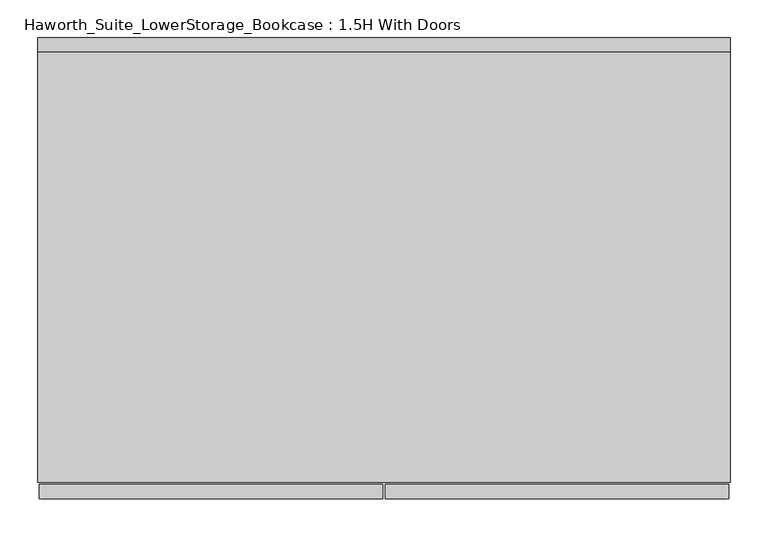
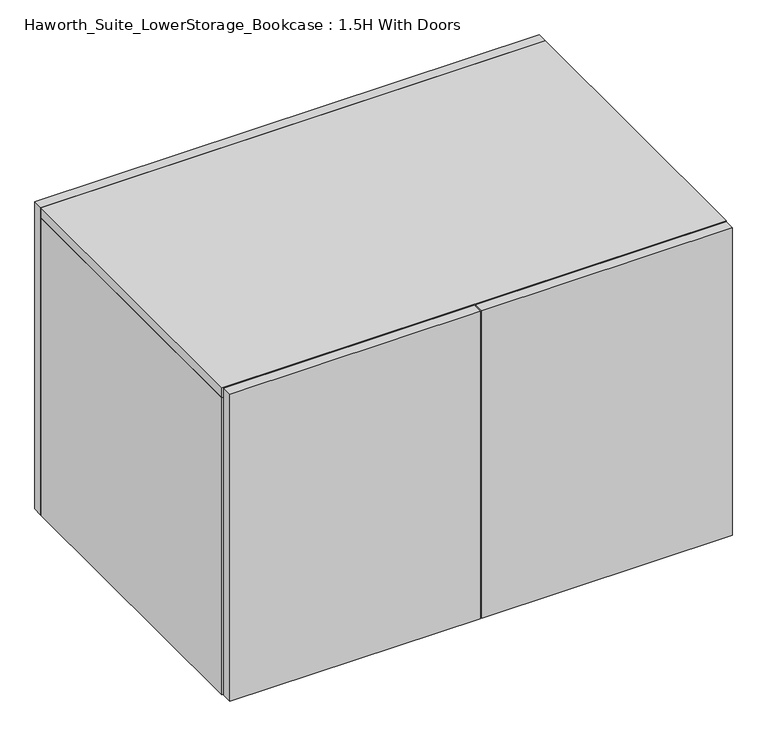
"""IFC4 building model written with IfcOpenShell, lengths in millimetres: furniture geometry, Haworth_Suite_LowerStorage_Bookcase : 1.5H With Doors."""

from ifc_helpers import new_model, si_unit, frame, origin, origin_with_axes, place, context, project, spatial, polyline, outline, extrude, source, transform, mapped, element, save


def haworth_suite_lowerstorage_bookcase_1_5h_with_doors_125b8f85(model_context):
    return source(origin(), model_context, "Body", "SweptSolid", [
        extrude(outline(polyline([(-468.3125, -603.25), (-14.2875, -603.25), (-14.2875, -622.3), (-468.3125, -622.3), (-468.3125, -603.25)])), origin_with_axes(), (0.0, 0.0, 1.0), 588.9625),
        extrude(outline(polyline([(442.9125, -603.25), (442.9125, -622.3), (-11.1125, -622.3), (-11.1125, -603.25), (442.9125, -603.25)])), origin_with_axes(), (0.0, 0.0, 1.0), 588.9625),
        extrude(outline(polyline([(425.45, -152.4), (425.45, -600.075), (-450.85, -600.075), (-450.85, -152.4), (425.45, -152.4)])), frame((0.0, 0.0, 352.425), z_axis=(0.0, 0.0, 1.0), x_axis=(1.0, 0.0, 0.0)), (0.0, 0.0, 1.0), 19.05),
        extrude(outline(polyline([(444.5, -31.75), (444.5, -600.075), (-469.9, -600.075), (-469.9, -31.75), (444.5, -31.75)])), frame((0.0, 0.0, 569.9125), z_axis=(0.0, 0.0, 1.0), x_axis=(1.0, 0.0, 0.0)), (0.0, 0.0, 1.0), 19.05),
        extrude(outline(polyline([(425.45, -133.35), (425.45, -152.4), (-450.85, -152.4), (-450.85, -133.35), (425.45, -133.35)])), frame((0.0, 0.0, 38.1), z_axis=(0.0, 0.0, 1.0), x_axis=(1.0, 0.0, 0.0)), (0.0, 0.0, 1.0), 512.7625),
        extrude(outline(polyline([(425.45, -133.35), (425.45, -501.65), (-450.85, -501.65), (-450.85, -133.35), (425.45, -133.35)])), frame((0.0, 0.0, 550.8625), z_axis=(0.0, 0.0, 1.0), x_axis=(1.0, 0.0, 0.0)), (0.0, 0.0, 1.0), 19.05),
        extrude(outline(polyline([(444.5, -12.7), (444.5, -31.75), (-469.9, -31.75), (-469.9, -12.7), (444.5, -12.7)])), origin_with_axes(), (0.0, 0.0, 1.0), 588.9625),
        extrude(outline(polyline([(425.45, -31.75), (425.45, -600.075), (-450.85, -600.075), (-450.85, -31.75), (425.45, -31.75)])), origin_with_axes(), (0.0, 0.0, 1.0), 38.1),
        extrude(outline(polyline([(-450.85, -31.75), (-450.85, -600.075), (-469.9, -600.075), (-469.9, -31.75), (-450.85, -31.75)])), origin_with_axes(), (0.0, 0.0, 1.0), 569.9125),
        extrude(outline(polyline([(444.5, -600.075), (425.45, -600.075), (425.45, -31.75), (444.5, -31.75), (444.5, -600.075)])), origin_with_axes(), (0.0, 0.0, 1.0), 569.9125),
    ])


if __name__ == "__main__":
    model = new_model("IFC4")
    model_context = context("Model", 3, world=origin())
    ifc_project = project(units=[si_unit("LENGTHUNIT", "METRE", prefix="MILLI")], contexts=[model_context])
    site = spatial("IfcSite", under=ifc_project)
    building = spatial("IfcBuilding", under=site)
    placement = place(None, origin())
    haworth_suite_lowerstorage_bookcase_1_5h_with_doors_shape = haworth_suite_lowerstorage_bookcase_1_5h_with_doors_125b8f85(model_context)
    element("IfcFurniture", 1, ObjectType="Haworth_Suite_LowerStorage_Bookcase : 1.5H With Doors", at=placement, inside=building, context=model_context, shape_type="MappedRepresentation", body=[
        mapped(haworth_suite_lowerstorage_bookcase_1_5h_with_doors_shape, transform((0.0, 0.0, 0.0), x_axis=(1.0, 0.0, 0.0), y_axis=(0.0, 1.0, 0.0), z_axis=(0.0, 0.0, 1.0))),
    ])
    save(model, "model.ifc")
